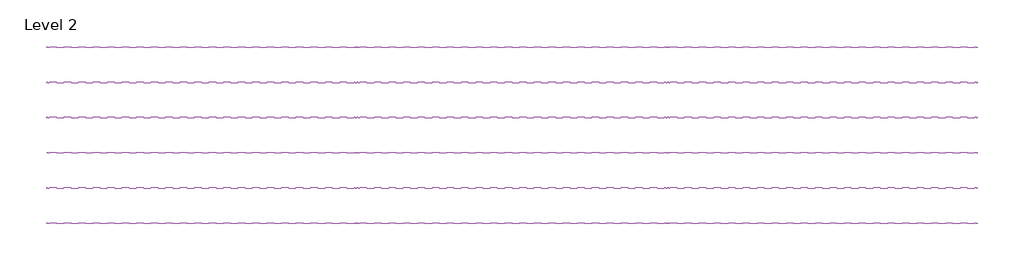
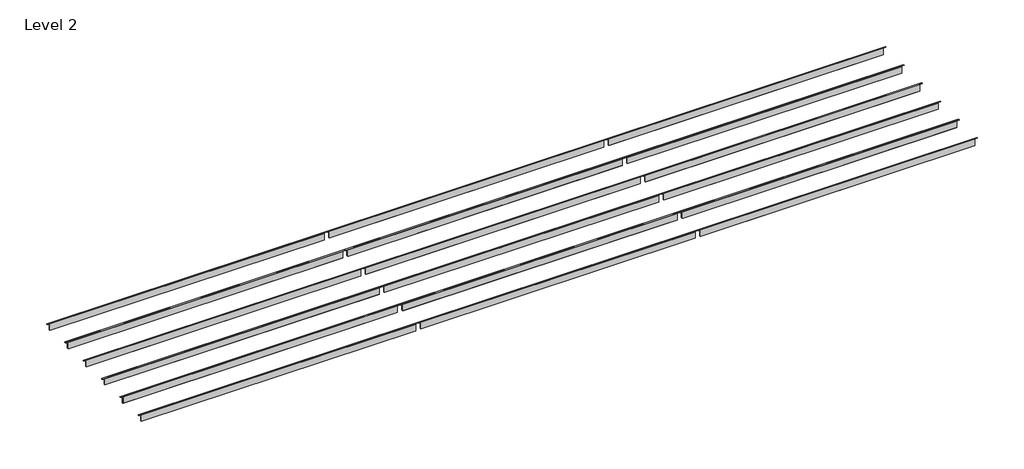
# One storey: 18 beams.
"""IFC4 building model written with IfcOpenShell, lengths in millimetres."""

import ifcopenshell
import ifcopenshell.guid

model = None  # the IFC model being written
_history = None  # IfcOwnerHistory: only IFC2X3 demands one
_inside = {}  # id of a spatial element -> (the spatial element, [elements in it])
_under = {}  # id of a project, library or spatial element -> (it, [spatial elements below it])
_declared = {}  # id of a project -> (the project, [libraries it declares])
_typed = {}  # id of a type object -> (the type object, [elements of that type])
_made_of = {}  # id of a material, layer set ... -> (it, [elements and type objects made of it])


def new_model(schema):
    """Start an empty IFC model of exactly this schema.

    Asked for "IFC4X3", IfcOpenShell would pick the latest addendum, in which some entities
    have other attributes; the version numbers below select the first issue.
    IFC2X3 requires an IfcOwnerHistory on every rooted entity: one is made here for all.
    """
    global model, _history
    if schema == "IFC4X3":
        model = ifcopenshell.file(schema_version=(4, 3, 0, 0))
    else:
        model = ifcopenshell.file(schema=schema)
    _inside.clear()
    _under.clear()
    _declared.clear()
    _typed.clear()
    _made_of.clear()
    _history = None
    if model.schema == "IFC2X3":
        org = make("IfcOrganization", Name="unknown")
        user = make(
            "IfcPersonAndOrganization",
            ThePerson=make("IfcPerson", FamilyName="unknown"),
            TheOrganization=org,
        )
        app = make(
            "IfcApplication",
            ApplicationDeveloper=org,
            Version="unknown",
            ApplicationFullName="unknown",
            ApplicationIdentifier="unknown",
        )
        _history = make(
            "IfcOwnerHistory",
            OwningUser=user,
            OwningApplication=app,
            ChangeAction="ADDED",
            CreationDate=0,
        )
    return model


def make(cls, **values):
    """One entity of the class cls with the attributes given. An attribute that is None is left unset."""
    return model.create_entity(
        cls, **{name: value for name, value in values.items() if value is not None}
    )


def rooted(cls, **values):
    """An entity with a GlobalId (a new one), such as an element, a storey or a relation."""
    return make(cls, GlobalId=ifcopenshell.guid.new(), OwnerHistory=_history, **values)


def si_unit(unit_type, name, prefix=None):
    """IfcSIUnit, for example si_unit("LENGTHUNIT", "METRE", prefix="MILLI")."""
    return make("IfcSIUnit", UnitType=unit_type, Prefix=prefix, Name=name)


def assignment(units):
    """IfcUnitAssignment: the units of a project."""
    return None if units is None else make("IfcUnitAssignment", Units=units)


def point(xyz):
    """IfcCartesianPoint."""
    return None if xyz is None else make("IfcCartesianPoint", Coordinates=xyz)


def direction(xyz):
    """IfcDirection."""
    return None if xyz is None else make("IfcDirection", DirectionRatios=xyz)


def frame(location, z_axis=None, x_axis=None):
    """IfcAxis2Placement3D, a coordinate frame: its origin and axes. An axis left out is left unset."""
    return make(
        "IfcAxis2Placement3D",
        Location=point(location),
        Axis=direction(z_axis),
        RefDirection=direction(x_axis),
    )


def origin():
    """The frame at (0, 0, 0) with its axes left unset."""
    return frame((0.0, 0.0, 0.0))


def place(relative_to, where):
    """IfcLocalPlacement: puts the frame where relative to a parent placement (None: the world)."""
    return make(
        "IfcLocalPlacement", PlacementRelTo=relative_to, RelativePlacement=where
    )


def context(
    kind, dimensions, precision=None, world=None, true_north=None, identifier=None
):
    """IfcGeometricRepresentationContext, for example the 3D "Model" context."""
    return make(
        "IfcGeometricRepresentationContext",
        ContextIdentifier=identifier,
        ContextType=kind,
        CoordinateSpaceDimension=dimensions,
        Precision=precision,
        WorldCoordinateSystem=world,
        TrueNorth=true_north,
    )


def project(units=None, contexts=None):
    """IfcProject with its units and contexts."""
    return rooted(
        "IfcProject",
        Name="project",
        RepresentationContexts=contexts,
        UnitsInContext=assignment(units),
    )


def spatial(cls, under=None, at=None, **own):
    """A site, building, storey or space (cls), placed at a placement, below another one or the project."""
    s = rooted(cls, ObjectPlacement=at, **own)
    if under is not None:
        _under.setdefault(under.id(), (under, []))[1].append(s)
    return s


def polyline(points):
    """IfcPolyline through the points."""
    return make("IfcPolyline", Points=[point(p) for p in points])


def outline(outer, holes=None, kind="AREA"):
    """IfcArbitraryClosedProfileDef: a profile drawn as a closed curve; with holes, ...WithVoids."""
    if holes is None:
        return make("IfcArbitraryClosedProfileDef", ProfileType=kind, OuterCurve=outer)
    return make(
        "IfcArbitraryProfileDefWithVoids",
        ProfileType=kind,
        OuterCurve=outer,
        InnerCurves=holes,
    )


def extrude(swept, where, along, depth):
    """IfcExtrudedAreaSolid: the profile swept, set in the frame where, extruded along a direction by depth."""
    return make(
        "IfcExtrudedAreaSolid",
        SweptArea=swept,
        Position=where,
        ExtrudedDirection=direction(along),
        Depth=depth,
    )


def shape(context_of_items, identifier, shape_type, items):
    """IfcShapeRepresentation: the items that make up one representation, for example the "Body"."""
    return make(
        "IfcShapeRepresentation",
        ContextOfItems=context_of_items,
        RepresentationIdentifier=identifier,
        RepresentationType=shape_type,
        Items=items,
    )


def source(mapping_origin, context_of_items, identifier, shape_type, items):
    """IfcRepresentationMap: a shape defined once, which mapped items show again and again."""
    return make(
        "IfcRepresentationMap",
        MappingOrigin=mapping_origin,
        MappedRepresentation=shape(context_of_items, identifier, shape_type, items),
    )


def transform(
    local_origin,
    x_axis=None,
    y_axis=None,
    z_axis=None,
    scale=None,
    scale2=None,
    scale3=None,
    uniform=True,
):
    """IfcCartesianTransformationOperator3D, or its non-uniform kind. x_axis, y_axis, z_axis: its Axis1, 2, 3."""
    if uniform:
        return make(
            "IfcCartesianTransformationOperator3D",
            Axis1=direction(x_axis),
            Axis2=direction(y_axis),
            LocalOrigin=point(local_origin),
            Scale=scale,
            Axis3=direction(z_axis),
        )
    return make(
        "IfcCartesianTransformationOperator3DnonUniform",
        Axis1=direction(x_axis),
        Axis2=direction(y_axis),
        LocalOrigin=point(local_origin),
        Scale=scale,
        Axis3=direction(z_axis),
        Scale2=scale2,
        Scale3=scale3,
    )


def mapped(mapping_source, mapping_target):
    """IfcMappedItem: shows the shape of a source again, moved by a transform."""
    return make(
        "IfcMappedItem", MappingSource=mapping_source, MappingTarget=mapping_target
    )


def made_of(thing, what):
    """Note that an element or type object is made of a material, layer set ...; save() writes the relation."""
    if what is not None:
        _made_of.setdefault(what.id(), (what, []))[1].append(thing)
    return thing


def element(
    cls,
    number,
    at=None,
    inside=None,
    cuts=None,
    type_object=None,
    material=None,
    context=None,
    identifier="Body",
    shape_type=None,
    held_by="IfcProductDefinitionShape",
    body=None,
    shapes=None,
    **own,
):
    """One element of the class cls, such as IfcWall. Its Tag is "e" and its number.

    at: its placement. inside: the storey or other place that contains it. cuts: it is an
    opening in that element (IfcRelVoidsElement). A single representation is given by context,
    identifier, shape_type and body (its items); several are given by shapes. held_by: the class
    of the entity that holds the representations. save() writes the other relations.
    """
    e = rooted(cls, Tag="e%d" % number, ObjectPlacement=at, **own)
    if body is not None:
        shapes = [shape(context, identifier, shape_type, body)]
    if shapes is not None:
        e.Representation = make(held_by, Representations=shapes)
    if inside is not None:
        _inside.setdefault(inside.id(), (inside, []))[1].append(e)
    if cuts is not None:
        rooted(
            "IfcRelVoidsElement", RelatingBuildingElement=cuts, RelatedOpeningElement=e
        )
    if type_object is not None:
        _typed.setdefault(type_object.id(), (type_object, []))[1].append(e)
    return made_of(e, material)


def aggregate(whole, parts):
    """IfcRelAggregates: a whole, such as a stair, and the parts it consists of."""
    return rooted("IfcRelAggregates", RelatingObject=whole, RelatedObjects=parts)


def save(model, path):
    """Write the relations noted so far, then the file.

    IfcRelAggregates (storeys below a building ...), IfcRelContainedInSpatialStructure (elements
    in a storey), IfcRelDefinesByType, IfcRelAssociatesMaterial and IfcRelDeclares: one each for
    every whole, place, type object, material and project.
    """
    for whole, parts in _under.values():
        aggregate(whole, parts)
    for where, things in _inside.values():
        rooted(
            "IfcRelContainedInSpatialStructure",
            RelatedElements=things,
            RelatingStructure=where,
        )
    for kind, things in _typed.values():
        rooted("IfcRelDefinesByType", RelatedObjects=things, RelatingType=kind)
    for what, things in _made_of.values():
        rooted("IfcRelAssociatesMaterial", RelatedObjects=things, RelatingMaterial=what)
    for by, libraries in _declared.values():
        rooted("IfcRelDeclares", RelatingContext=by, RelatedDefinitions=libraries)
    model.write(path)


def travetto_infisso_travetto_infisso_db40a967(model_context):
    return source(origin(), model_context, "Body", "SweptSolid", [
        extrude(outline(polyline([(-25.0, 68.5585434), (-25.0, 71.5585434), (25.0, 71.5585434), (25.0, 68.5585434), (1.5, 68.5585434), (1.5, 53.5585434), (-1.5, 53.5585434), (-1.5, 68.5585434), (-25.0, 68.5585434)])), frame((-6166.6666667, 0.0, 0.0), z_axis=(1.0, 0.0, 0.0), x_axis=(0.0, 1.0, 0.0)), (0.0, 0.0, 1.0), 12333.3333333),
        extrude(outline(polyline([(25.0, 53.5585434), (25.0, -246.4414566), (-25.0, -246.4414566), (-25.0, 53.5585434), (25.0, 53.5585434)]), holes=[polyline([(22.0, 50.5585434), (-22.0, 50.5585434), (-22.0, -243.4414566), (22.0, -243.4414566), (22.0, 50.5585434)])]), frame((-6053.9666667, 0.0, 0.0), z_axis=(1.0, 0.0, 0.0), x_axis=(0.0, 1.0, 0.0)), (0.0, 0.0, 1.0), 12107.9333333),
    ])


model = new_model("IFC4")

# Units and contexts
model_context = context("Model", 3, world=origin())
ifc_project = project(units=[si_unit("LENGTHUNIT", "METRE", prefix="MILLI")], contexts=[model_context])

# Site, building, storey
site = spatial("IfcSite", under=ifc_project)
building = spatial("IfcBuilding", under=site)
storey = spatial("IfcBuildingStorey", under=building, Name="Level 2", Elevation=5.013)

# Beams
placement = place(None, origin())
travetto_infisso_travetto_infisso_shape = travetto_infisso_travetto_infisso_db40a967(model_context)
element("IfcBeam", 1, ObjectType="travetto_infisso : travetto_infisso", at=placement, inside=storey, context=model_context, shape_type="MappedRepresentation", body=[
    mapped(travetto_infisso_travetto_infisso_shape, transform((-12439.3225294, 14587.2080236, 4946.4414566), x_axis=(1.0, 0.0, 0.0), y_axis=(0.0, 1.0, 0.0), z_axis=(0.0, 0.0, 1.0))),
])
element("IfcBeam", 2, ObjectType="travetto_infisso : travetto_infisso", at=placement, inside=storey, context=model_context, shape_type="MappedRepresentation", body=[
    mapped(travetto_infisso_travetto_infisso_shape, transform((-12439.3225294, 13187.2080236, 4946.4414566), x_axis=(1.0, 0.0, 0.0), y_axis=(0.0, 1.0, 0.0), z_axis=(0.0, 0.0, 1.0))),
])
element("IfcBeam", 3, ObjectType="travetto_infisso : travetto_infisso", at=placement, inside=storey, context=model_context, shape_type="MappedRepresentation", body=[
    mapped(travetto_infisso_travetto_infisso_shape, transform((-12439.3225294, 11787.2080236, 4946.4414566), x_axis=(1.0, 0.0, 0.0), y_axis=(0.0, 1.0, 0.0), z_axis=(0.0, 0.0, 1.0))),
])
element("IfcBeam", 4, ObjectType="travetto_infisso : travetto_infisso", at=placement, inside=storey, context=model_context, shape_type="MappedRepresentation", body=[
    mapped(travetto_infisso_travetto_infisso_shape, transform((-12439.3225294, 10387.2080236, 4946.4414566), x_axis=(1.0, 0.0, 0.0), y_axis=(0.0, 1.0, 0.0), z_axis=(0.0, 0.0, 1.0))),
])
element("IfcBeam", 5, ObjectType="travetto_infisso : travetto_infisso", at=placement, inside=storey, context=model_context, shape_type="MappedRepresentation", body=[
    mapped(travetto_infisso_travetto_infisso_shape, transform((-105.989196, 14587.2080236, 4946.4414566), x_axis=(1.0, 0.0, 0.0), y_axis=(0.0, 1.0, 0.0), z_axis=(0.0, 0.0, 1.0))),
])
element("IfcBeam", 6, ObjectType="travetto_infisso : travetto_infisso", at=placement, inside=storey, context=model_context, shape_type="MappedRepresentation", body=[
    mapped(travetto_infisso_travetto_infisso_shape, transform((-105.989196, 13187.2080236, 4946.4414566), x_axis=(1.0, 0.0, 0.0), y_axis=(0.0, 1.0, 0.0), z_axis=(0.0, 0.0, 1.0))),
])
element("IfcBeam", 7, ObjectType="travetto_infisso : travetto_infisso", at=placement, inside=storey, context=model_context, shape_type="MappedRepresentation", body=[
    mapped(travetto_infisso_travetto_infisso_shape, transform((-105.989196, 11787.2080236, 4946.4414566), x_axis=(1.0, 0.0, 0.0), y_axis=(0.0, 1.0, 0.0), z_axis=(0.0, 0.0, 1.0))),
])
element("IfcBeam", 8, ObjectType="travetto_infisso : travetto_infisso", at=placement, inside=storey, context=model_context, shape_type="MappedRepresentation", body=[
    mapped(travetto_infisso_travetto_infisso_shape, transform((-105.989196, 10387.2080236, 4946.4414566), x_axis=(1.0, 0.0, 0.0), y_axis=(0.0, 1.0, 0.0), z_axis=(0.0, 0.0, 1.0))),
])
element("IfcBeam", 9, ObjectType="travetto_infisso : travetto_infisso", at=placement, inside=storey, context=model_context, shape_type="MappedRepresentation", body=[
    mapped(travetto_infisso_travetto_infisso_shape, transform((12227.3441373, 14587.2080236, 4946.4414566), x_axis=(1.0, 0.0, 0.0), y_axis=(0.0, 1.0, 0.0), z_axis=(0.0, 0.0, 1.0))),
])
element("IfcBeam", 10, ObjectType="travetto_infisso : travetto_infisso", at=placement, inside=storey, context=model_context, shape_type="MappedRepresentation", body=[
    mapped(travetto_infisso_travetto_infisso_shape, transform((12227.3441373, 13187.2080236, 4946.4414566), x_axis=(1.0, 0.0, 0.0), y_axis=(0.0, 1.0, 0.0), z_axis=(0.0, 0.0, 1.0))),
])
element("IfcBeam", 11, ObjectType="travetto_infisso : travetto_infisso", at=placement, inside=storey, context=model_context, shape_type="MappedRepresentation", body=[
    mapped(travetto_infisso_travetto_infisso_shape, transform((12227.3441373, 11787.2080236, 4946.4414566), x_axis=(1.0, 0.0, 0.0), y_axis=(0.0, 1.0, 0.0), z_axis=(0.0, 0.0, 1.0))),
])
element("IfcBeam", 12, ObjectType="travetto_infisso : travetto_infisso", at=placement, inside=storey, context=model_context, shape_type="MappedRepresentation", body=[
    mapped(travetto_infisso_travetto_infisso_shape, transform((12227.3441373, 10387.2080236, 4946.4414566), x_axis=(1.0, 0.0, 0.0), y_axis=(0.0, 1.0, 0.0), z_axis=(0.0, 0.0, 1.0))),
])
element("IfcBeam", 13, ObjectType="travetto_infisso : travetto_infisso", at=placement, inside=storey, context=model_context, shape_type="MappedRepresentation", body=[
    mapped(travetto_infisso_travetto_infisso_shape, transform((-12439.3225294, 15987.2080236, 4946.4414566), x_axis=(1.0, 0.0, 0.0), y_axis=(0.0, 1.0, 0.0), z_axis=(0.0, 0.0, 1.0))),
])
element("IfcBeam", 14, ObjectType="travetto_infisso : travetto_infisso", at=placement, inside=storey, context=model_context, shape_type="MappedRepresentation", body=[
    mapped(travetto_infisso_travetto_infisso_shape, transform((-12439.3225294, 8985.7080236, 4946.4414566), x_axis=(1.0, 0.0, 0.0), y_axis=(0.0, 1.0, 0.0), z_axis=(0.0, 0.0, 1.0))),
])
element("IfcBeam", 15, ObjectType="travetto_infisso : travetto_infisso", at=placement, inside=storey, context=model_context, shape_type="MappedRepresentation", body=[
    mapped(travetto_infisso_travetto_infisso_shape, transform((-105.989196, 8985.7080236, 4946.4414566), x_axis=(1.0, 0.0, 0.0), y_axis=(0.0, 1.0, 0.0), z_axis=(0.0, 0.0, 1.0))),
])
element("IfcBeam", 16, ObjectType="travetto_infisso : travetto_infisso", at=placement, inside=storey, context=model_context, shape_type="MappedRepresentation", body=[
    mapped(travetto_infisso_travetto_infisso_shape, transform((12227.3441373, 8985.7080236, 4946.4414566), x_axis=(1.0, 0.0, 0.0), y_axis=(0.0, 1.0, 0.0), z_axis=(0.0, 0.0, 1.0))),
])
element("IfcBeam", 17, ObjectType="travetto_infisso : travetto_infisso", at=placement, inside=storey, context=model_context, shape_type="MappedRepresentation", body=[
    mapped(travetto_infisso_travetto_infisso_shape, transform((12227.3441373, 15987.2080236, 4946.4414566), x_axis=(-1.0, 0.0, 0.0), y_axis=(0.0, -1.0, 0.0), z_axis=(0.0, 0.0, 1.0))),
])
element("IfcBeam", 18, ObjectType="travetto_infisso : travetto_infisso", at=placement, inside=storey, context=model_context, shape_type="MappedRepresentation", body=[
    mapped(travetto_infisso_travetto_infisso_shape, transform((-105.989196, 15987.2080236, 4946.4414566), x_axis=(-1.0, 0.0, 0.0), y_axis=(0.0, -1.0, 0.0), z_axis=(0.0, 0.0, 1.0))),
])

save(model, "model.ifc")
